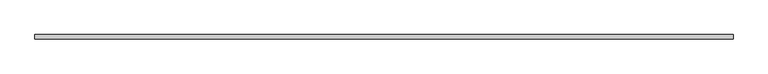
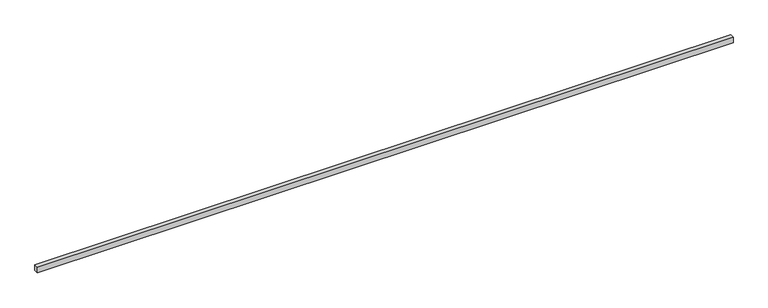
"""IFC4 building model written with IfcOpenShell, lengths in millimetres: proxy geometry."""

from ifc_helpers import new_model, si_unit, frame, origin, place, context, project, spatial, polyline, outline, extrude, source, transform, mapped, element, save


def generic_models_10a0c86e(model_context):
    return source(origin(), model_context, "Body", "SweptSolid", [
        extrude(outline(polyline([(40.0, 0.0), (-40.0, 0.0), (-40.0, 12416.6553505), (40.0, 12416.6553505), (40.0, 0.0)])), frame((12416.6553505, 0.0, 0.0), z_axis=(0.0, -1.9783474858313244e-12, 1.0), x_axis=(0.0, 1.0, 1.9783474858313244e-12)), (0.0, 0.0, 1.0), 100.0),
    ])


if __name__ == "__main__":
    model = new_model("IFC4")
    model_context = context("Model", 3, world=origin())
    ifc_project = project(units=[si_unit("LENGTHUNIT", "METRE", prefix="MILLI")], contexts=[model_context])
    site = spatial("IfcSite", under=ifc_project)
    building = spatial("IfcBuilding", under=site)
    placement = place(None, origin())
    generic_models_shape = generic_models_10a0c86e(model_context)
    element("IfcBuildingElementProxy", 1, Name="Generic Models", at=placement, inside=building, context=model_context, shape_type="MappedRepresentation", body=[
        mapped(generic_models_shape, transform((0.0, 0.0, 0.0), x_axis=(1.0, 0.0, 0.0), y_axis=(0.0, 1.0, 0.0), z_axis=(0.0, 0.0, 1.0))),
    ])
    save(model, "model.ifc")
